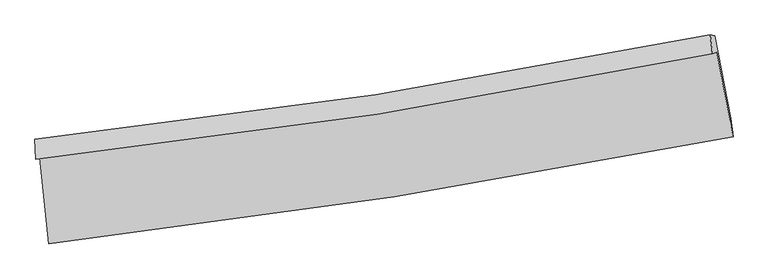
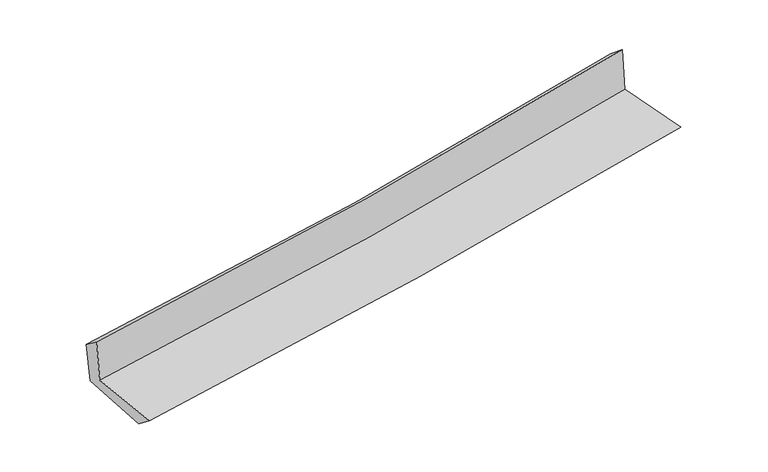
"""IFC4 building model written with IfcOpenShell, lengths in millimetres: proxy geometry."""

from ifc_helpers import new_model, si_unit, frame, origin, place, context, project, spatial, source, transform, mapped, element, save
from ifc_brep_helpers import plane_surface, spline_curve, spline_surface, advanced_brep


def generic_models_3387abd2(model_context):
    return source(origin(), model_context, "Body", "AdvancedBrep", [
        advanced_brep(
        [(-2664.7614736, -1890.7886694, 1658.8422002), (-2596.1435316, -2557.3857607, 1646.0168454), (2728.1861932, -1727.7824935, 2117.034095), (2601.0063904, -1069.5635615, 2124.7649962), (-2697.1085849, -1901.6151321, 2048.4841621), (2567.8752109, -1080.6524491, 2523.8515694), (-2702.6883926, -1747.0181428, 1931.059879), (2550.2883195, -933.9604131, 2403.8340951), (-2670.8913627, -1755.3493094, 1570.4337928), (2585.0582268, -942.1535258, 2028.1399423), (-2601.6336205, -2403.1622611, 1527.988014), (2711.1178975, -1580.8835134, 1990.6972126)],
        [
            (0, 1),
            (1, 2, spline_curve(3, [(-2596.1435316, -2557.3857607, 1646.0168454), (-1697.655555975, -2454.482980582, 1725.901630523), (-801.997216579, -2333.359706132, 1805.334870159), (972.71037781, -2056.381105506, 1962.329612343), (1851.828613357, -1900.969957653, 2039.902122527), (2728.1861932, -1727.7824935, 2117.034095)], [4, 2, 4], [0.0, 8.881536222792308, 17.65414768821144])),
            (2, 3),
            (3, 0, spline_curve(3, [(2601.0063904, -1069.5635615, 2124.7649962), (1735.267713727, -1247.523660526, 2048.381967886), (866.311809185, -1404.646258191, 1971.605555457), (-888.863756412, -1678.908629316, 1816.307786442), (-1775.163806491, -1795.527734165, 1737.776600256), (-2664.7614736, -1890.7886694, 1658.8422002)], [4, 2, 4], [0.0, 8.772611465419134, 17.65414768821144])),
            (4, 0),
            (3, 5),
            (5, 4, spline_curve(3, [(2567.8752109, -1080.6524491, 2523.8515694), (1702.271565462, -1258.567353663, 2445.842003486), (833.448128121, -1415.645614979, 2367.46993546), (-921.466017205, -1689.820489683, 2209.023190697), (-1807.63717858, -1806.396455998, 2128.939456515), (-2697.1085849, -1901.6151321, 2048.4841621)], [4, 2, 4], [0.0, 8.72465797160695, 17.55764528806946])),
            (6, 4),
            (5, 7),
            (7, 6, spline_curve(3, [(2550.2883195, -933.9604131, 2403.8340951), (1686.878152698, -1108.653824985, 2319.649228424), (820.146503094, -1263.460759668, 2238.383900468), (-930.762740033, -1534.976908053, 2080.719544569), (-1815.023327665, -1651.189216492, 2004.393467192), (-2702.6883926, -1747.0181428, 1931.059879)], [4, 2, 4], [0.0, 8.713754504584347, 17.535702971589426])),
            (8, 6),
            (7, 9),
            (9, 8, spline_curve(3, [(2585.0582268, -942.1535258, 2028.1399423), (1720.411388842, -1116.775466845, 1954.745599699), (852.812896087, -1271.557808429, 1880.149047276), (-899.096546985, -1543.118803191, 1727.610370412), (-1783.481250938, -1659.401723026, 1649.638206422), (-2670.8913627, -1755.3493094, 1570.4337928)], [4, 2, 4], [0.0, 8.704130683443665, 17.516335835541938])),
            (10, 8),
            (9, 11),
            (11, 10, spline_curve(3, [(2711.1178975, -1580.8835134, 1990.6972126), (1836.158523485, -1751.029122441, 1916.865219488), (958.696685375, -1904.307090756, 1841.636699927), (-812.157957926, -2178.821480085, 1687.43519524), (-1705.6132925, -2299.636427339, 1608.427315741), (-2601.6336205, -2403.1622611, 1527.988014)], [4, 2, 4], [0.0, 8.752131452753519, 17.612933373673467])),
            (1, 10),
            (11, 2),
        ],
        [
            spline_surface(3, 3, [[(-2664.7614736, -1890.7886694, 1658.8422002), (-1775.163806474, -1795.527734166, 1737.776600226), (-888.863756375, -1678.908629262, 1816.307786373), (866.311809148, -1404.646258245, 1971.605555525), (1735.26771372, -1247.523660518, 2048.381968019), (2601.0063904, -1069.5635615, 2124.7649962)], [(-2641.888826268, -2112.987699827, 1654.567081959), (-1749.327722929, -2015.179482989, 1733.818277049), (-859.908243071, -1897.058988232, 1812.650147656), (901.777998675, -1621.891207325, 1968.513574454), (1774.12134691, -1465.339092865, 2045.555352877), (2643.399657994, -1288.969872169, 2122.188029126)], [(-2619.016178932, -2335.186730273, 1650.291963641), (-1723.491639378, -2234.83123183, 1729.859953795), (-830.952729784, -2115.209347193, 1808.992508924), (937.244188186, -1839.136156396, 1965.421593367), (1812.974980117, -1683.154525206, 2042.728737757), (2685.792925606, -1508.376182831, 2119.611062074)], [(-2596.1435316, -2557.3857607, 1646.0168454), (-1697.655555833, -2454.482980652, 1725.901630619), (-801.997216481, -2333.359706163, 1805.334870207), (972.710377713, -2056.381105476, 1962.329612296), (1851.828613307, -1900.969957552, 2039.902122615), (2728.1861932, -1727.7824935, 2117.034095)]], [4, 4], [4, 2, 4], [0.0, 2.166273941207184], [0.0, 8.881536222792308, 17.65414768821144]),
            spline_surface(3, 3, [[(-2697.1085849, -1901.6151321, 2048.4841621), (-1807.637178651, -1806.396455931, 2128.939456385), (-921.466017231, -1689.820489644, 2209.023190795), (833.448128147, -1415.645615017, 2367.469935362), (1702.271565366, -1258.567353675, 2445.842003381), (2567.8752109, -1080.6524491, 2523.8515694)], [(-2686.326214476, -1898.006311182, 1918.603508123), (-1796.812721268, -1802.773548658, 1998.551837654), (-910.598596944, -1686.18320284, 2078.118055992), (844.402688482, -1411.97916275, 2235.515142088), (1713.270281492, -1254.886122622, 2313.355324927), (2578.918937408, -1076.956153233, 2390.822711667)], [(-2675.543844024, -1894.397490318, 1788.722854177), (-1785.988263858, -1799.150641439, 1868.164218956), (-899.731176662, -1682.545916066, 1947.212921176), (855.357248813, -1408.312710512, 2103.5603488), (1724.268997594, -1251.204891571, 2180.868646473), (2589.962663892, -1073.259857367, 2257.793853933)], [(-2664.7614736, -1890.7886694, 1658.8422002), (-1775.163806474, -1795.527734166, 1737.776600226), (-888.863756375, -1678.908629262, 1816.307786373), (866.311809148, -1404.646258245, 1971.605555525), (1735.26771372, -1247.523660518, 2048.381968019), (2601.0063904, -1069.5635615, 2124.7649962)]], [4, 4], [4, 2, 4], [0.0, 1.2984856239548606], [0.0, 8.832987316462509, 17.55764528806946]),
            spline_surface(3, 3, [[(-2702.6883926, -1747.0181428, 1931.059879), (-1815.023327733, -1651.189216638, 2004.393467081), (-930.762740062, -1534.976908019, 2080.719544447), (820.146503122, -1263.460759702, 2238.383900588), (1686.878152835, -1108.653825114, 2319.649228545), (2550.2883195, -933.9604131, 2403.8340951)], [(-2700.828456678, -1798.550472569, 1970.201306702), (-1812.561278017, -1702.924963072, 2045.908796851), (-927.663832438, -1586.591435247, 2123.487426559), (824.580378145, -1314.189044826, 2281.412578843), (1692.009290357, -1158.625001298, 2361.713486806), (2556.150616645, -982.85775843, 2443.839919849)], [(-2698.968520822, -1850.082802331, 2009.342734398), (-1810.099228368, -1754.660709498, 2087.424126615), (-924.564924856, -1638.205962416, 2166.255308683), (829.014253124, -1364.917329892, 2324.441257108), (1697.140427844, -1208.596177492, 2403.77774512), (2562.012913755, -1031.75510377, 2483.845744651)], [(-2697.1085849, -1901.6151321, 2048.4841621), (-1807.637178651, -1806.396455931, 2128.939456385), (-921.466017231, -1689.820489644, 2209.023190795), (833.448128147, -1415.645615017, 2367.469935362), (1702.271565366, -1258.567353675, 2445.842003381), (2567.8752109, -1080.6524491, 2523.8515694)]], [4, 4], [4, 2, 4], [0.0, 0.6582950596494096], [0.0, 8.821948467005079, 17.535702971589426]),
            spline_surface(3, 3, [[(-2670.8913627, -1755.3493094, 1570.4337928), (-1783.481250973, -1659.401722909, 1649.638206451), (-899.096547077, -1543.11880327, 1727.610370448), (852.812896178, -1271.557808351, 1880.149047241), (1720.411388792, -1116.775466775, 1954.745599721), (2585.0582268, -942.1535258, 2028.1399423)], [(-2681.490372675, -1752.572253879, 1690.642488207), (-1793.995276568, -1656.664220831, 1767.889960001), (-909.651944751, -1540.404838188, 1845.313428437), (841.924098481, -1268.858792137, 1999.560665012), (1709.233643462, -1114.068252879, 2076.380142679), (2573.468257688, -939.422488224, 2153.371326583)], [(-2692.089382625, -1749.795198321, 1810.851183593), (-1804.509302138, -1653.926718717, 1886.141713531), (-920.207342388, -1537.690873101, 1963.016486458), (831.03530082, -1266.159775916, 2118.972282817), (1698.055898166, -1111.36103901, 2198.014685587), (2561.878288612, -936.691450676, 2278.602710817)], [(-2702.6883926, -1747.0181428, 1931.059879), (-1815.023327733, -1651.189216638, 2004.393467081), (-930.762740062, -1534.976908019, 2080.719544447), (820.146503122, -1263.460759702, 2238.383900588), (1686.878152835, -1108.653825114, 2319.649228545), (2550.2883195, -933.9604131, 2403.8340951)]], [4, 4], [4, 2, 4], [0.0, 1.1718645353335824], [0.0, 8.812205152098272, 17.516335835541938]),
            spline_surface(3, 3, [[(-2601.6336205, -2403.1622611, 1527.988014), (-1705.613292587, -2299.636427337, 1608.427315599), (-812.157957977, -2178.821479945, 1687.435195379), (958.696685424, -1904.307090894, 1841.636699789), (1836.158523459, -1751.029122408, 1916.865219532), (2711.1178975, -1580.8835134, 1990.6972126)], [(-2624.719534571, -2187.22461052, 1542.136606924), (-1731.56927872, -2086.224859181, 1622.164279207), (-841.137487691, -1966.920587697, 1700.8269204), (923.402088995, -1693.390663357, 1854.474148939), (1797.576145216, -1539.611237202, 1929.492012925), (2669.098007246, -1367.973517539, 2003.178122497)], [(-2647.805448629, -1971.28695998, 1556.285199876), (-1757.52526484, -1872.813291065, 1635.901242843), (-870.117017363, -1755.019695518, 1714.218645427), (888.107492608, -1482.474235888, 1867.311598092), (1758.993767035, -1328.193351981, 1942.118806328), (2627.078117054, -1155.063521661, 2015.659032403)], [(-2670.8913627, -1755.3493094, 1570.4337928), (-1783.481250973, -1659.401722909, 1649.638206451), (-899.096547077, -1543.11880327, 1727.610370448), (852.812896178, -1271.557808351, 1880.149047241), (1720.411388792, -1116.775466775, 1954.745599721), (2585.0582268, -942.1535258, 2028.1399423)]], [4, 4], [4, 2, 4], [0.0, 2.1086575578088826], [0.0, 8.860801920919949, 17.612933373673467]),
            spline_surface(3, 3, [[(-2596.1435316, -2557.3857607, 1646.0168454), (-1697.655555833, -2454.482980652, 1725.901630619), (-801.997216481, -2333.359706163, 1805.334870207), (972.710377713, -2056.381105476, 1962.329612296), (1851.828613307, -1900.969957552, 2039.902122615), (2728.1861932, -1727.7824935, 2117.034095)], [(-2597.973561233, -2505.977927524, 1606.673901586), (-1700.30813475, -2402.867462904, 1686.743525598), (-805.384130308, -2281.846964098, 1766.034978604), (968.039146955, -2005.68976729, 1922.098641467), (1846.605250043, -1850.989679176, 1998.889821599), (2722.496761318, -1678.816166806, 2074.921800878)], [(-2599.803590867, -2454.570094276, 1567.330957814), (-1702.960713669, -2351.251945085, 1647.58542062), (-808.77104415, -2230.33422201, 1726.735086982), (963.367916182, -1954.99842908, 1881.867670618), (1841.381886723, -1801.009400784, 1957.877520548), (2716.807329382, -1629.849840094, 2032.809506722)], [(-2601.6336205, -2403.1622611, 1527.988014), (-1705.613292587, -2299.636427337, 1608.427315599), (-812.157957977, -2178.821479945, 1687.435195379), (958.696685424, -1904.307090894, 1841.636699789), (1836.158523459, -1751.029122408, 1916.865219532), (2711.1178975, -1580.8835134, 1990.6972126)]], [4, 4], [4, 2, 4], [0.0, 0.6385465461679637], [0.0, 8.919076320544246, 17.72876748520578]),
            plane_surface(frame((2623.9220397, -1222.4993261, 2198.0536518), z_axis=(0.978353552233916, 0.18802029222267158, 0.08644476007127072), x_axis=(-0.09213289842284837, 0.021710015368270046, 0.9955100221800455))),
            plane_surface(frame((-2655.5378276, -2042.5532126, 1730.4708156), z_axis=(-0.9913018146524376, -0.10040524145905698, -0.08508524992225527), x_axis=(-0.10237783144409292, 0.9945615194464632, 0.019135403448772376))),
        ],
        [
            (0, [[1, 2, 3, 4]]),
            (1, [[5, -4, 6, 7]]),
            (2, [[8, -7, 9, 10]]),
            (3, [[11, -10, 12, 13]]),
            (4, [[14, -13, 15, 16]]),
            (5, [[17, -16, 18, -2]]),
            (6, [[-12, -9, -6, -3, -18, -15]]),
            (7, [[-1, -5, -8, -11, -14, -17]]),
        ],
    ),
    ])


if __name__ == "__main__":
    model = new_model("IFC4")
    model_context = context("Model", 3, world=origin())
    ifc_project = project(units=[si_unit("LENGTHUNIT", "METRE", prefix="MILLI")], contexts=[model_context])
    site = spatial("IfcSite", under=ifc_project)
    building = spatial("IfcBuilding", under=site)
    placement = place(None, origin())
    generic_models_shape = generic_models_3387abd2(model_context)
    element("IfcBuildingElementProxy", 1, Name="Generic Models", at=placement, inside=building, context=model_context, shape_type="MappedRepresentation", body=[
        mapped(generic_models_shape, transform((0.0, 0.0, 0.0), x_axis=(1.0, 0.0, 0.0), y_axis=(0.0, 1.0, 0.0), z_axis=(0.0, 0.0, 1.0))),
    ])
    save(model, "model.ifc")
